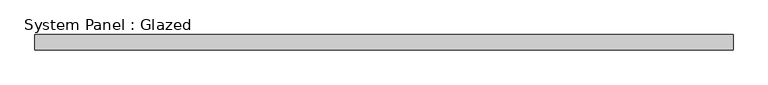
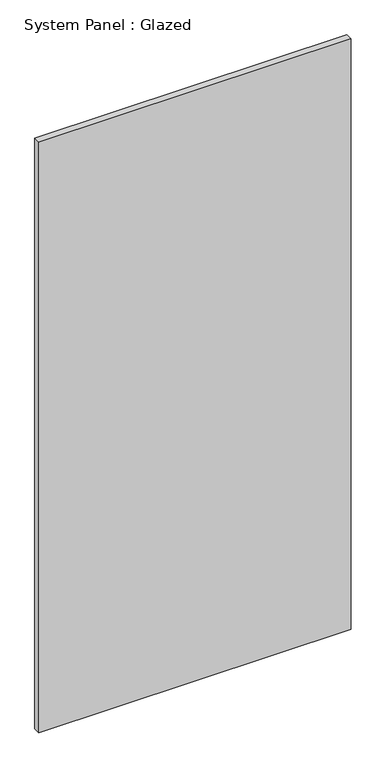
"""IFC4 building model written with IfcOpenShell, lengths in millimetres: plate geometry, System Panel : Glazed."""

from ifc_helpers import new_model, si_unit, origin, origin_with_axes, place, context, project, spatial, polyline, outline, extrude, source, transform, mapped, element, save


def system_panel_glazed_06ffcf76(model_context):
    return source(origin(), model_context, "Body", "SweptSolid", [
        extrude(outline(polyline([(577.85, -44.45), (-577.85, -44.45), (-577.85, -19.05), (577.85, -19.05), (577.85, -44.45)])), origin_with_axes(), (0.0, 0.0, 1.0), 2311.4),
    ])


if __name__ == "__main__":
    model = new_model("IFC4")
    model_context = context("Model", 3, world=origin())
    ifc_project = project(units=[si_unit("LENGTHUNIT", "METRE", prefix="MILLI")], contexts=[model_context])
    site = spatial("IfcSite", under=ifc_project)
    building = spatial("IfcBuilding", under=site)
    placement = place(None, origin())
    system_panel_glazed_shape = system_panel_glazed_06ffcf76(model_context)
    element("IfcPlate", 1, ObjectType="System Panel : Glazed", at=placement, inside=building, context=model_context, shape_type="MappedRepresentation", body=[
        mapped(system_panel_glazed_shape, transform((0.0, 0.0, 0.0), x_axis=(1.0, 0.0, 0.0), y_axis=(0.0, 1.0, 0.0), z_axis=(0.0, 0.0, 1.0))),
    ])
    save(model, "model.ifc")
